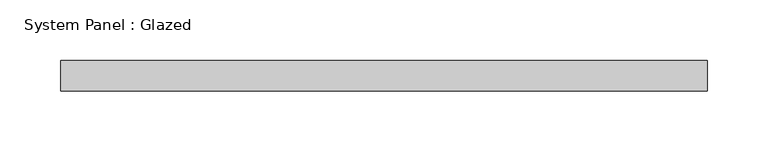
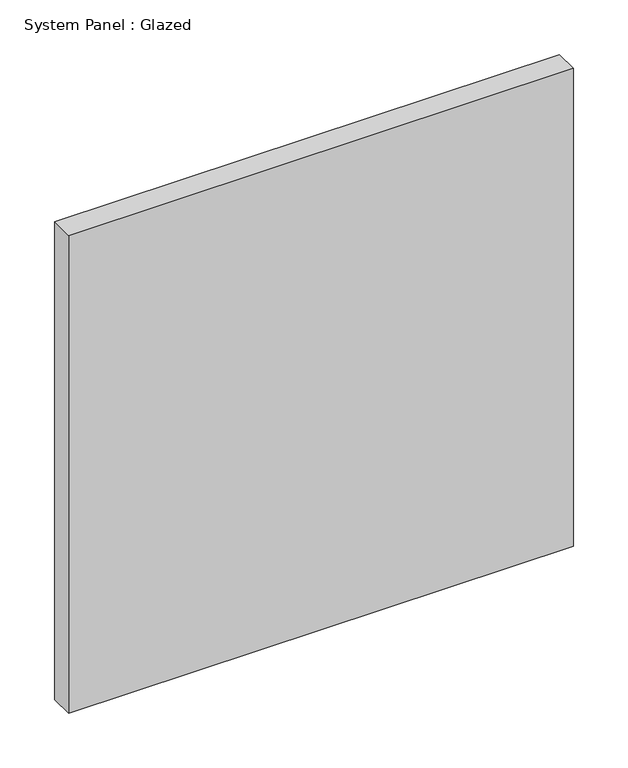
"""IFC4 building model written with IfcOpenShell, lengths in millimetres: plate geometry, System Panel : Glazed."""

from ifc_helpers import new_model, si_unit, origin, origin_with_axes, place, context, project, spatial, polyline, outline, extrude, source, transform, mapped, element, save


def system_panel_glazed_625cfa08(model_context):
    return source(origin(), model_context, "Body", "SweptSolid", [
        extrude(outline(polyline([(266.7, 19.05), (-266.7, 19.05), (-266.7, 44.45), (266.7, 44.45), (266.7, 19.05)])), origin_with_axes(), (0.0, 0.0, 1.0), 533.4),
    ])


if __name__ == "__main__":
    model = new_model("IFC4")
    model_context = context("Model", 3, world=origin())
    ifc_project = project(units=[si_unit("LENGTHUNIT", "METRE", prefix="MILLI")], contexts=[model_context])
    site = spatial("IfcSite", under=ifc_project)
    building = spatial("IfcBuilding", under=site)
    placement = place(None, origin())
    system_panel_glazed_shape = system_panel_glazed_625cfa08(model_context)
    element("IfcPlate", 1, ObjectType="System Panel : Glazed", at=placement, inside=building, context=model_context, shape_type="MappedRepresentation", body=[
        mapped(system_panel_glazed_shape, transform((0.0, 0.0, 0.0), x_axis=(1.0, 0.0, 0.0), y_axis=(0.0, 1.0, 0.0), z_axis=(0.0, 0.0, 1.0))),
    ])
    save(model, "model.ifc")
